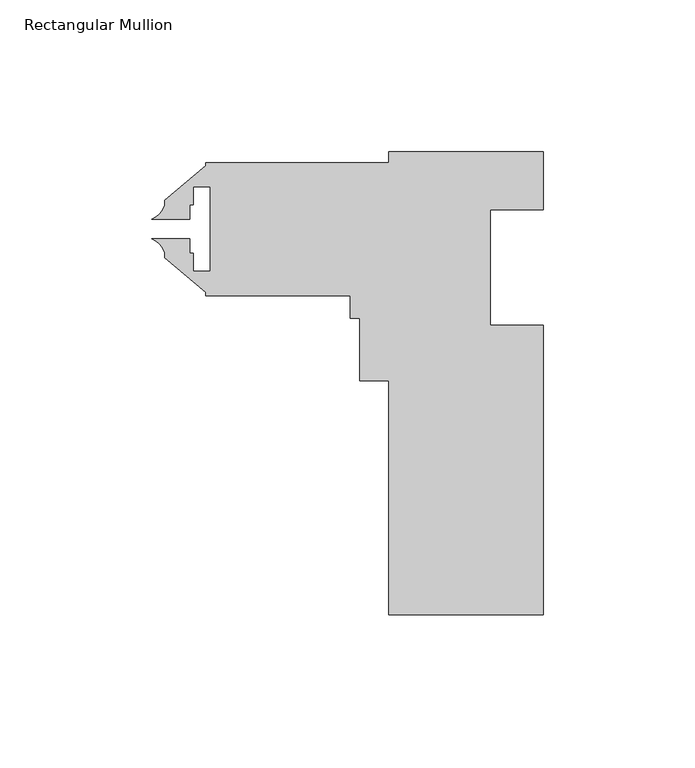
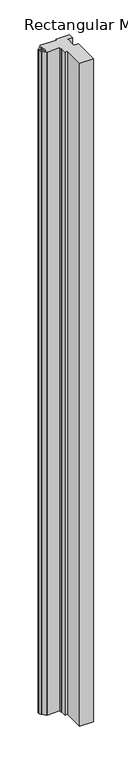
"""IFC4 building model written with IfcOpenShell, lengths in millimetres: member geometry, Rectangular Mullion."""

import ifcopenshell
import ifcopenshell.guid

model = None  # the IFC model being written
_history = None  # IfcOwnerHistory: only IFC2X3 demands one
_inside = {}  # id of a spatial element -> (the spatial element, [elements in it])
_under = {}  # id of a project, library or spatial element -> (it, [spatial elements below it])
_declared = {}  # id of a project -> (the project, [libraries it declares])
_typed = {}  # id of a type object -> (the type object, [elements of that type])
_made_of = {}  # id of a material, layer set ... -> (it, [elements and type objects made of it])


def new_model(schema):
    """Start an empty IFC model of exactly this schema.

    Asked for "IFC4X3", IfcOpenShell would pick the latest addendum, in which some entities
    have other attributes; the version numbers below select the first issue.
    IFC2X3 requires an IfcOwnerHistory on every rooted entity: one is made here for all.
    """
    global model, _history
    if schema == "IFC4X3":
        model = ifcopenshell.file(schema_version=(4, 3, 0, 0))
    else:
        model = ifcopenshell.file(schema=schema)
    _inside.clear()
    _under.clear()
    _declared.clear()
    _typed.clear()
    _made_of.clear()
    _history = None
    if model.schema == "IFC2X3":
        org = make("IfcOrganization", Name="unknown")
        user = make(
            "IfcPersonAndOrganization",
            ThePerson=make("IfcPerson", FamilyName="unknown"),
            TheOrganization=org,
        )
        app = make(
            "IfcApplication",
            ApplicationDeveloper=org,
            Version="unknown",
            ApplicationFullName="unknown",
            ApplicationIdentifier="unknown",
        )
        _history = make(
            "IfcOwnerHistory",
            OwningUser=user,
            OwningApplication=app,
            ChangeAction="ADDED",
            CreationDate=0,
        )
    return model


def make(cls, **values):
    """One entity of the class cls with the attributes given. An attribute that is None is left unset."""
    return model.create_entity(
        cls, **{name: value for name, value in values.items() if value is not None}
    )


def rooted(cls, **values):
    """An entity with a GlobalId (a new one), such as an element, a storey or a relation."""
    return make(cls, GlobalId=ifcopenshell.guid.new(), OwnerHistory=_history, **values)


def si_unit(unit_type, name, prefix=None):
    """IfcSIUnit, for example si_unit("LENGTHUNIT", "METRE", prefix="MILLI")."""
    return make("IfcSIUnit", UnitType=unit_type, Prefix=prefix, Name=name)


def assignment(units):
    """IfcUnitAssignment: the units of a project."""
    return None if units is None else make("IfcUnitAssignment", Units=units)


def point(xyz):
    """IfcCartesianPoint."""
    return None if xyz is None else make("IfcCartesianPoint", Coordinates=xyz)


def direction(xyz):
    """IfcDirection."""
    return None if xyz is None else make("IfcDirection", DirectionRatios=xyz)


def frame(location, z_axis=None, x_axis=None):
    """IfcAxis2Placement3D, a coordinate frame: its origin and axes. An axis left out is left unset."""
    return make(
        "IfcAxis2Placement3D",
        Location=point(location),
        Axis=direction(z_axis),
        RefDirection=direction(x_axis),
    )


def frame_2d(location, x_axis=None):
    """IfcAxis2Placement2D, a coordinate frame in the plane: its origin and x axis."""
    return make(
        "IfcAxis2Placement2D", Location=point(location), RefDirection=direction(x_axis)
    )


def origin():
    """The frame at (0, 0, 0) with its axes left unset."""
    return frame((0.0, 0.0, 0.0))


def place(relative_to, where):
    """IfcLocalPlacement: puts the frame where relative to a parent placement (None: the world)."""
    return make(
        "IfcLocalPlacement", PlacementRelTo=relative_to, RelativePlacement=where
    )


def context(
    kind, dimensions, precision=None, world=None, true_north=None, identifier=None
):
    """IfcGeometricRepresentationContext, for example the 3D "Model" context."""
    return make(
        "IfcGeometricRepresentationContext",
        ContextIdentifier=identifier,
        ContextType=kind,
        CoordinateSpaceDimension=dimensions,
        Precision=precision,
        WorldCoordinateSystem=world,
        TrueNorth=true_north,
    )


def project(units=None, contexts=None):
    """IfcProject with its units and contexts."""
    return rooted(
        "IfcProject",
        Name="project",
        RepresentationContexts=contexts,
        UnitsInContext=assignment(units),
    )


def spatial(cls, under=None, at=None, **own):
    """A site, building, storey or space (cls), placed at a placement, below another one or the project."""
    s = rooted(cls, ObjectPlacement=at, **own)
    if under is not None:
        _under.setdefault(under.id(), (under, []))[1].append(s)
    return s


def polyline(points):
    """IfcPolyline through the points."""
    return make("IfcPolyline", Points=[point(p) for p in points])


def circle_curve(where, radius):
    """IfcCircle in the frame where."""
    return make("IfcCircle", Position=where, Radius=radius)


def trimmed(basis, trim1, trim2, sense, master):
    """IfcTrimmedCurve: the piece of a basis curve between two trims."""
    return make(
        "IfcTrimmedCurve",
        BasisCurve=basis,
        Trim1=trim1,
        Trim2=trim2,
        SenseAgreement=sense,
        MasterRepresentation=master,
    )


def segment(curve, same_sense, transition):
    """IfcCompositeCurveSegment."""
    return make(
        "IfcCompositeCurveSegment",
        Transition=transition,
        SameSense=same_sense,
        ParentCurve=curve,
    )


def composite_curve(segments, self_intersect=None):
    """IfcCompositeCurve: segments joined end to end."""
    return make("IfcCompositeCurve", Segments=segments, SelfIntersect=self_intersect)


def outline(outer, holes=None, kind="AREA"):
    """IfcArbitraryClosedProfileDef: a profile drawn as a closed curve; with holes, ...WithVoids."""
    if holes is None:
        return make("IfcArbitraryClosedProfileDef", ProfileType=kind, OuterCurve=outer)
    return make(
        "IfcArbitraryProfileDefWithVoids",
        ProfileType=kind,
        OuterCurve=outer,
        InnerCurves=holes,
    )


def extrude(swept, where, along, depth):
    """IfcExtrudedAreaSolid: the profile swept, set in the frame where, extruded along a direction by depth."""
    return make(
        "IfcExtrudedAreaSolid",
        SweptArea=swept,
        Position=where,
        ExtrudedDirection=direction(along),
        Depth=depth,
    )


def shape(context_of_items, identifier, shape_type, items):
    """IfcShapeRepresentation: the items that make up one representation, for example the "Body"."""
    return make(
        "IfcShapeRepresentation",
        ContextOfItems=context_of_items,
        RepresentationIdentifier=identifier,
        RepresentationType=shape_type,
        Items=items,
    )


def source(mapping_origin, context_of_items, identifier, shape_type, items):
    """IfcRepresentationMap: a shape defined once, which mapped items show again and again."""
    return make(
        "IfcRepresentationMap",
        MappingOrigin=mapping_origin,
        MappedRepresentation=shape(context_of_items, identifier, shape_type, items),
    )


def transform(
    local_origin,
    x_axis=None,
    y_axis=None,
    z_axis=None,
    scale=None,
    scale2=None,
    scale3=None,
    uniform=True,
):
    """IfcCartesianTransformationOperator3D, or its non-uniform kind. x_axis, y_axis, z_axis: its Axis1, 2, 3."""
    if uniform:
        return make(
            "IfcCartesianTransformationOperator3D",
            Axis1=direction(x_axis),
            Axis2=direction(y_axis),
            LocalOrigin=point(local_origin),
            Scale=scale,
            Axis3=direction(z_axis),
        )
    return make(
        "IfcCartesianTransformationOperator3DnonUniform",
        Axis1=direction(x_axis),
        Axis2=direction(y_axis),
        LocalOrigin=point(local_origin),
        Scale=scale,
        Axis3=direction(z_axis),
        Scale2=scale2,
        Scale3=scale3,
    )


def mapped(mapping_source, mapping_target):
    """IfcMappedItem: shows the shape of a source again, moved by a transform."""
    return make(
        "IfcMappedItem", MappingSource=mapping_source, MappingTarget=mapping_target
    )


def made_of(thing, what):
    """Note that an element or type object is made of a material, layer set ...; save() writes the relation."""
    if what is not None:
        _made_of.setdefault(what.id(), (what, []))[1].append(thing)
    return thing


def element(
    cls,
    number,
    at=None,
    inside=None,
    cuts=None,
    type_object=None,
    material=None,
    context=None,
    identifier="Body",
    shape_type=None,
    held_by="IfcProductDefinitionShape",
    body=None,
    shapes=None,
    **own,
):
    """One element of the class cls, such as IfcWall. Its Tag is "e" and its number.

    at: its placement. inside: the storey or other place that contains it. cuts: it is an
    opening in that element (IfcRelVoidsElement). A single representation is given by context,
    identifier, shape_type and body (its items); several are given by shapes. held_by: the class
    of the entity that holds the representations. save() writes the other relations.
    """
    e = rooted(cls, Tag="e%d" % number, ObjectPlacement=at, **own)
    if body is not None:
        shapes = [shape(context, identifier, shape_type, body)]
    if shapes is not None:
        e.Representation = make(held_by, Representations=shapes)
    if inside is not None:
        _inside.setdefault(inside.id(), (inside, []))[1].append(e)
    if cuts is not None:
        rooted(
            "IfcRelVoidsElement", RelatingBuildingElement=cuts, RelatedOpeningElement=e
        )
    if type_object is not None:
        _typed.setdefault(type_object.id(), (type_object, []))[1].append(e)
    return made_of(e, material)


def aggregate(whole, parts):
    """IfcRelAggregates: a whole, such as a stair, and the parts it consists of."""
    return rooted("IfcRelAggregates", RelatingObject=whole, RelatedObjects=parts)


def save(model, path):
    """Write the relations noted so far, then the file.

    IfcRelAggregates (storeys below a building ...), IfcRelContainedInSpatialStructure (elements
    in a storey), IfcRelDefinesByType, IfcRelAssociatesMaterial and IfcRelDeclares: one each for
    every whole, place, type object, material and project.
    """
    for whole, parts in _under.values():
        aggregate(whole, parts)
    for where, things in _inside.values():
        rooted(
            "IfcRelContainedInSpatialStructure",
            RelatedElements=things,
            RelatingStructure=where,
        )
    for kind, things in _typed.values():
        rooted("IfcRelDefinesByType", RelatedObjects=things, RelatingType=kind)
    for what, things in _made_of.values():
        rooted("IfcRelAssociatesMaterial", RelatedObjects=things, RelatingMaterial=what)
    for by, libraries in _declared.values():
        rooted("IfcRelDeclares", RelatingContext=by, RelatedDefinitions=libraries)
    model.write(path)


def rectangular_mullion_9bdbe393(model_context):
    return source(origin(), model_context, "Body", "SweptSolid", [
        extrude(outline(composite_curve([segment(polyline([(25.4, 0.0013378), (25.4, -19.0495813), (7.9512033, -19.0495813), (7.9532099, -57.1495815), (25.4030099, -57.1486625), (25.4080265, -152.398662), (-25.3919734, -152.4013375), (-25.3960282, -75.4139377), (-34.9210282, -75.4144393), (-34.9221144, -54.7896393), (-38.0971144, -54.7898066), (-38.097509, -47.2968066), (-85.722509, -47.2993149), (-85.7225652, -46.2328081), (-99.1851601, -34.9375579), (-99.185249, -33.2494236)]), True, "CONTINUOUS"), segment(trimmed(circle_curve(frame_2d((-106.5611255, -35.6399684)), 7.7535965), [point((-99.185249, -33.2494236))], [point((-103.3833039, -28.5675071))], True, "CARTESIAN"), True, "CONTINUOUS"), segment(polyline([(-103.3833039, -28.5675071), (-90.8907256, -28.5668492), (-90.8904747, -33.329587), (-89.7618447, -33.3295276), (-89.7615304, -39.2985276), (-84.1481304, -39.2982319), (-84.1495939, -11.510632), (-89.7629939, -11.5109276), (-89.7626795, -17.4799276), (-90.8913095, -17.479987), (-90.8910586, -22.2427315), (-103.3836518, -22.2433895)]), True, "CONTINUOUS"), segment(trimmed(circle_curve(frame_2d((-106.5622035, -15.1712563)), 7.7535965), [point((-103.3836518, -22.2433895))], [point((-99.1860752, -17.5610242))], True, "CARTESIAN"), True, "CONTINUOUS"), segment(polyline([(-99.1860752, -17.5610242), (-99.1861642, -15.8728899), (-85.7247591, -4.5762217), (-85.7248153, -3.5097149), (-25.3998154, -3.5065378), (-25.4, -0.0013378), (25.4, 0.0013378)]), True, "CONTINUOUS")], self_intersect=False)), frame((0.0, 0.0, -2590.8), z_axis=(0.0, 0.0, 1.0), x_axis=(1.0, 0.0, 0.0)), (0.0, 0.0, 1.0), 2590.8),
    ])


if __name__ == "__main__":
    model = new_model("IFC4")
    model_context = context("Model", 3, world=origin())
    ifc_project = project(units=[si_unit("LENGTHUNIT", "METRE", prefix="MILLI")], contexts=[model_context])
    site = spatial("IfcSite", under=ifc_project)
    building = spatial("IfcBuilding", under=site)
    placement = place(None, origin())
    rectangular_mullion_shape = rectangular_mullion_9bdbe393(model_context)
    element("IfcMember", 1, ObjectType="Rectangular Mullion", at=placement, inside=building, context=model_context, shape_type="MappedRepresentation", body=[
        mapped(rectangular_mullion_shape, transform((0.0, 0.0, 0.0), x_axis=(1.0, 0.0, 0.0), y_axis=(0.0, 1.0, 0.0), z_axis=(0.0, 0.0, 1.0))),
    ])
    save(model, "model.ifc")
